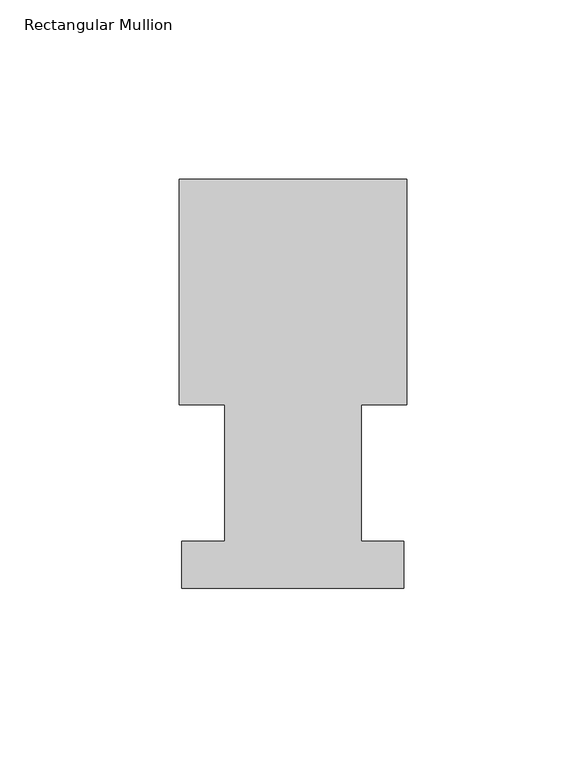
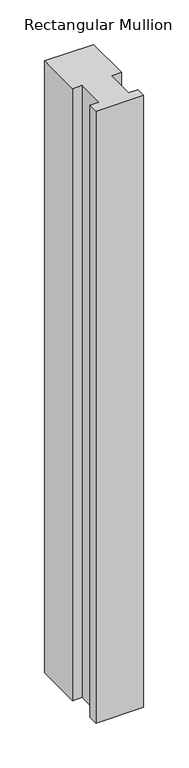
"""IFC4 building model written with IfcOpenShell, lengths in millimetres: member geometry, Rectangular Mullion."""

from ifc_helpers import new_model, si_unit, frame, origin, place, context, project, spatial, polyline, outline, extrude, source, transform, mapped, element, save


def rectangular_mullion_d2abb7a2(model_context):
    return source(origin(), model_context, "Body", "SweptSolid", [
        extrude(outline(polyline([(31.75, 115.5779375), (31.75, 52.5859375), (19.0508044, 52.5859375), (19.0508044, 14.4859375), (30.9626, 14.4859375), (30.9626, 1.2982575), (-30.9626003, 1.2982575), (-30.9626003, 14.4859375), (-19.0508044, 14.4859375), (-19.0508044, 52.5859375), (-31.75, 52.5859375), (-31.75, 115.5779375), (31.75, 115.5779375)])), frame((0.0, 0.0, -838.3737198), z_axis=(0.0, 0.0, 1.0), x_axis=(1.0, 0.0, 0.0)), (0.0, 0.0, 1.0), 838.3737198),
    ])


if __name__ == "__main__":
    model = new_model("IFC4")
    model_context = context("Model", 3, world=origin())
    ifc_project = project(units=[si_unit("LENGTHUNIT", "METRE", prefix="MILLI")], contexts=[model_context])
    site = spatial("IfcSite", under=ifc_project)
    building = spatial("IfcBuilding", under=site)
    placement = place(None, origin())
    rectangular_mullion_shape = rectangular_mullion_d2abb7a2(model_context)
    element("IfcMember", 1, ObjectType="Rectangular Mullion", at=placement, inside=building, context=model_context, shape_type="MappedRepresentation", body=[
        mapped(rectangular_mullion_shape, transform((0.0, 0.0, 0.0), x_axis=(1.0, 0.0, 0.0), y_axis=(0.0, 1.0, 0.0), z_axis=(0.0, 0.0, 1.0))),
    ])
    save(model, "model.ifc")
